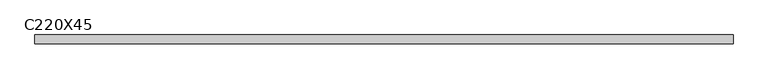
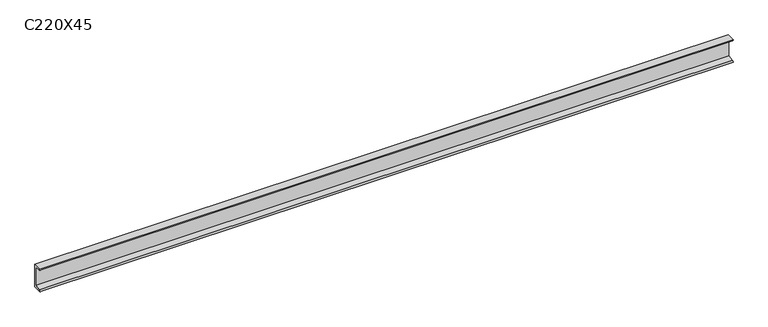
"""IFC4 building model written with IfcOpenShell, lengths in millimetres: beam geometry, C220X45."""

import ifcopenshell
import ifcopenshell.guid

model = None  # the IFC model being written
_history = None  # IfcOwnerHistory: only IFC2X3 demands one
_inside = {}  # id of a spatial element -> (the spatial element, [elements in it])
_under = {}  # id of a project, library or spatial element -> (it, [spatial elements below it])
_declared = {}  # id of a project -> (the project, [libraries it declares])
_typed = {}  # id of a type object -> (the type object, [elements of that type])
_made_of = {}  # id of a material, layer set ... -> (it, [elements and type objects made of it])


def new_model(schema):
    """Start an empty IFC model of exactly this schema.

    Asked for "IFC4X3", IfcOpenShell would pick the latest addendum, in which some entities
    have other attributes; the version numbers below select the first issue.
    IFC2X3 requires an IfcOwnerHistory on every rooted entity: one is made here for all.
    """
    global model, _history
    if schema == "IFC4X3":
        model = ifcopenshell.file(schema_version=(4, 3, 0, 0))
    else:
        model = ifcopenshell.file(schema=schema)
    _inside.clear()
    _under.clear()
    _declared.clear()
    _typed.clear()
    _made_of.clear()
    _history = None
    if model.schema == "IFC2X3":
        org = make("IfcOrganization", Name="unknown")
        user = make(
            "IfcPersonAndOrganization",
            ThePerson=make("IfcPerson", FamilyName="unknown"),
            TheOrganization=org,
        )
        app = make(
            "IfcApplication",
            ApplicationDeveloper=org,
            Version="unknown",
            ApplicationFullName="unknown",
            ApplicationIdentifier="unknown",
        )
        _history = make(
            "IfcOwnerHistory",
            OwningUser=user,
            OwningApplication=app,
            ChangeAction="ADDED",
            CreationDate=0,
        )
    return model


def make(cls, **values):
    """One entity of the class cls with the attributes given. An attribute that is None is left unset."""
    return model.create_entity(
        cls, **{name: value for name, value in values.items() if value is not None}
    )


def rooted(cls, **values):
    """An entity with a GlobalId (a new one), such as an element, a storey or a relation."""
    return make(cls, GlobalId=ifcopenshell.guid.new(), OwnerHistory=_history, **values)


def si_unit(unit_type, name, prefix=None):
    """IfcSIUnit, for example si_unit("LENGTHUNIT", "METRE", prefix="MILLI")."""
    return make("IfcSIUnit", UnitType=unit_type, Prefix=prefix, Name=name)


def assignment(units):
    """IfcUnitAssignment: the units of a project."""
    return None if units is None else make("IfcUnitAssignment", Units=units)


def point(xyz):
    """IfcCartesianPoint."""
    return None if xyz is None else make("IfcCartesianPoint", Coordinates=xyz)


def direction(xyz):
    """IfcDirection."""
    return None if xyz is None else make("IfcDirection", DirectionRatios=xyz)


def frame(location, z_axis=None, x_axis=None):
    """IfcAxis2Placement3D, a coordinate frame: its origin and axes. An axis left out is left unset."""
    return make(
        "IfcAxis2Placement3D",
        Location=point(location),
        Axis=direction(z_axis),
        RefDirection=direction(x_axis),
    )


def frame_2d(location, x_axis=None):
    """IfcAxis2Placement2D, a coordinate frame in the plane: its origin and x axis."""
    return make(
        "IfcAxis2Placement2D", Location=point(location), RefDirection=direction(x_axis)
    )


def origin():
    """The frame at (0, 0, 0) with its axes left unset."""
    return frame((0.0, 0.0, 0.0))


def place(relative_to, where):
    """IfcLocalPlacement: puts the frame where relative to a parent placement (None: the world)."""
    return make(
        "IfcLocalPlacement", PlacementRelTo=relative_to, RelativePlacement=where
    )


def context(
    kind, dimensions, precision=None, world=None, true_north=None, identifier=None
):
    """IfcGeometricRepresentationContext, for example the 3D "Model" context."""
    return make(
        "IfcGeometricRepresentationContext",
        ContextIdentifier=identifier,
        ContextType=kind,
        CoordinateSpaceDimension=dimensions,
        Precision=precision,
        WorldCoordinateSystem=world,
        TrueNorth=true_north,
    )


def project(units=None, contexts=None):
    """IfcProject with its units and contexts."""
    return rooted(
        "IfcProject",
        Name="project",
        RepresentationContexts=contexts,
        UnitsInContext=assignment(units),
    )


def spatial(cls, under=None, at=None, **own):
    """A site, building, storey or space (cls), placed at a placement, below another one or the project."""
    s = rooted(cls, ObjectPlacement=at, **own)
    if under is not None:
        _under.setdefault(under.id(), (under, []))[1].append(s)
    return s


def polyline(points):
    """IfcPolyline through the points."""
    return make("IfcPolyline", Points=[point(p) for p in points])


def circle_curve(where, radius):
    """IfcCircle in the frame where."""
    return make("IfcCircle", Position=where, Radius=radius)


def trimmed(basis, trim1, trim2, sense, master):
    """IfcTrimmedCurve: the piece of a basis curve between two trims."""
    return make(
        "IfcTrimmedCurve",
        BasisCurve=basis,
        Trim1=trim1,
        Trim2=trim2,
        SenseAgreement=sense,
        MasterRepresentation=master,
    )


def segment(curve, same_sense, transition):
    """IfcCompositeCurveSegment."""
    return make(
        "IfcCompositeCurveSegment",
        Transition=transition,
        SameSense=same_sense,
        ParentCurve=curve,
    )


def composite_curve(segments, self_intersect=None):
    """IfcCompositeCurve: segments joined end to end."""
    return make("IfcCompositeCurve", Segments=segments, SelfIntersect=self_intersect)


def outline(outer, holes=None, kind="AREA"):
    """IfcArbitraryClosedProfileDef: a profile drawn as a closed curve; with holes, ...WithVoids."""
    if holes is None:
        return make("IfcArbitraryClosedProfileDef", ProfileType=kind, OuterCurve=outer)
    return make(
        "IfcArbitraryProfileDefWithVoids",
        ProfileType=kind,
        OuterCurve=outer,
        InnerCurves=holes,
    )


def extrude(swept, where, along, depth):
    """IfcExtrudedAreaSolid: the profile swept, set in the frame where, extruded along a direction by depth."""
    return make(
        "IfcExtrudedAreaSolid",
        SweptArea=swept,
        Position=where,
        ExtrudedDirection=direction(along),
        Depth=depth,
    )


def shape(context_of_items, identifier, shape_type, items):
    """IfcShapeRepresentation: the items that make up one representation, for example the "Body"."""
    return make(
        "IfcShapeRepresentation",
        ContextOfItems=context_of_items,
        RepresentationIdentifier=identifier,
        RepresentationType=shape_type,
        Items=items,
    )


def source(mapping_origin, context_of_items, identifier, shape_type, items):
    """IfcRepresentationMap: a shape defined once, which mapped items show again and again."""
    return make(
        "IfcRepresentationMap",
        MappingOrigin=mapping_origin,
        MappedRepresentation=shape(context_of_items, identifier, shape_type, items),
    )


def transform(
    local_origin,
    x_axis=None,
    y_axis=None,
    z_axis=None,
    scale=None,
    scale2=None,
    scale3=None,
    uniform=True,
):
    """IfcCartesianTransformationOperator3D, or its non-uniform kind. x_axis, y_axis, z_axis: its Axis1, 2, 3."""
    if uniform:
        return make(
            "IfcCartesianTransformationOperator3D",
            Axis1=direction(x_axis),
            Axis2=direction(y_axis),
            LocalOrigin=point(local_origin),
            Scale=scale,
            Axis3=direction(z_axis),
        )
    return make(
        "IfcCartesianTransformationOperator3DnonUniform",
        Axis1=direction(x_axis),
        Axis2=direction(y_axis),
        LocalOrigin=point(local_origin),
        Scale=scale,
        Axis3=direction(z_axis),
        Scale2=scale2,
        Scale3=scale3,
    )


def mapped(mapping_source, mapping_target):
    """IfcMappedItem: shows the shape of a source again, moved by a transform."""
    return make(
        "IfcMappedItem", MappingSource=mapping_source, MappingTarget=mapping_target
    )


def made_of(thing, what):
    """Note that an element or type object is made of a material, layer set ...; save() writes the relation."""
    if what is not None:
        _made_of.setdefault(what.id(), (what, []))[1].append(thing)
    return thing


def element(
    cls,
    number,
    at=None,
    inside=None,
    cuts=None,
    type_object=None,
    material=None,
    context=None,
    identifier="Body",
    shape_type=None,
    held_by="IfcProductDefinitionShape",
    body=None,
    shapes=None,
    **own,
):
    """One element of the class cls, such as IfcWall. Its Tag is "e" and its number.

    at: its placement. inside: the storey or other place that contains it. cuts: it is an
    opening in that element (IfcRelVoidsElement). A single representation is given by context,
    identifier, shape_type and body (its items); several are given by shapes. held_by: the class
    of the entity that holds the representations. save() writes the other relations.
    """
    e = rooted(cls, Tag="e%d" % number, ObjectPlacement=at, **own)
    if body is not None:
        shapes = [shape(context, identifier, shape_type, body)]
    if shapes is not None:
        e.Representation = make(held_by, Representations=shapes)
    if inside is not None:
        _inside.setdefault(inside.id(), (inside, []))[1].append(e)
    if cuts is not None:
        rooted(
            "IfcRelVoidsElement", RelatingBuildingElement=cuts, RelatedOpeningElement=e
        )
    if type_object is not None:
        _typed.setdefault(type_object.id(), (type_object, []))[1].append(e)
    return made_of(e, material)


def aggregate(whole, parts):
    """IfcRelAggregates: a whole, such as a stair, and the parts it consists of."""
    return rooted("IfcRelAggregates", RelatingObject=whole, RelatedObjects=parts)


def save(model, path):
    """Write the relations noted so far, then the file.

    IfcRelAggregates (storeys below a building ...), IfcRelContainedInSpatialStructure (elements
    in a storey), IfcRelDefinesByType, IfcRelAssociatesMaterial and IfcRelDeclares: one each for
    every whole, place, type object, material and project.
    """
    for whole, parts in _under.values():
        aggregate(whole, parts)
    for where, things in _inside.values():
        rooted(
            "IfcRelContainedInSpatialStructure",
            RelatedElements=things,
            RelatingStructure=where,
        )
    for kind, things in _typed.values():
        rooted("IfcRelDefinesByType", RelatedObjects=things, RelatingType=kind)
    for what, things in _made_of.values():
        rooted("IfcRelAssociatesMaterial", RelatedObjects=things, RelatingMaterial=what)
    for by, libraries in _declared.values():
        rooted("IfcRelDeclares", RelatingContext=by, RelatedDefinitions=libraries)
    model.write(path)


def c220x45_300e305e(model_context):
    return source(origin(), model_context, "Body", "SweptSolid", [
        extrude(outline(composite_curve([segment(polyline([(17.0, 110.0), (17.0, -110.0), (-64.0, -110.0)]), True, "CONTINUOUS"), segment(trimmed(circle_curve(frame_2d((-51.0, -110.0)), 13.0), [point((-64.0, -110.0))], [point((-51.0, -97.0))], False, "CARTESIAN"), True, "CONTINUOUS"), segment(polyline([(-51.0, -97.0), (4.0, -88.2888558), (4.0, 88.2888558), (-51.0, 97.0)]), True, "CONTINUOUS"), segment(trimmed(circle_curve(frame_2d((-51.0, 110.0)), 13.0), [point((-51.0, 97.0))], [point((-64.0, 110.0))], False, "CARTESIAN"), True, "CONTINUOUS"), segment(polyline([(-64.0, 110.0), (17.0, 110.0)]), True, "CONTINUOUS")], self_intersect=False)), frame((-3224.0, 0.0, 0.0), z_axis=(1.0, 0.0, 0.0), x_axis=(0.0, 1.0, 0.0)), (0.0, 0.0, 1.0), 6448.0),
    ])


if __name__ == "__main__":
    model = new_model("IFC4")
    model_context = context("Model", 3, world=origin())
    ifc_project = project(units=[si_unit("LENGTHUNIT", "METRE", prefix="MILLI")], contexts=[model_context])
    site = spatial("IfcSite", under=ifc_project)
    building = spatial("IfcBuilding", under=site)
    placement = place(None, origin())
    c220x45_shape = c220x45_300e305e(model_context)
    element("IfcBeam", 1, ObjectType="C220X45", at=placement, inside=building, context=model_context, shape_type="MappedRepresentation", body=[
        mapped(c220x45_shape, transform((0.0, 0.0, 0.0), x_axis=(1.0, 0.0, 0.0), y_axis=(0.0, 1.0, 0.0), z_axis=(0.0, 0.0, 1.0))),
    ])
    save(model, "model.ifc")
